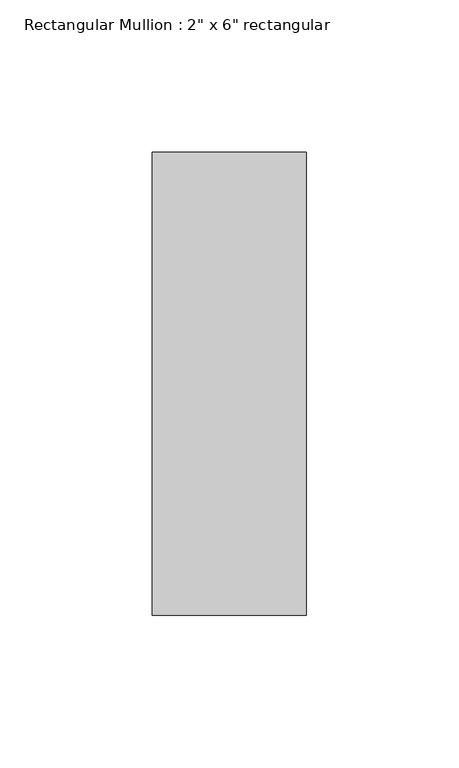
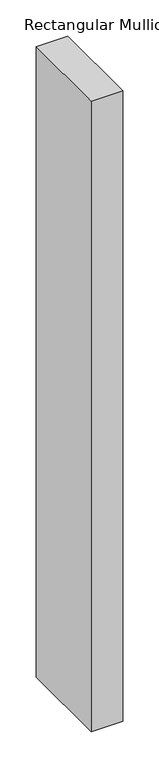
"""IFC4 building model written with IfcOpenShell, lengths in millimetres: member geometry."""

from ifc_helpers import new_model, si_unit, frame, origin, place, context, project, spatial, polyline, outline, extrude, source, transform, mapped, element, save


def member_02cd2aa0(model_context):
    return source(origin(), model_context, "Body", "SweptSolid", [
        extrude(outline(polyline([(0.0, 76.2), (0.0, -76.2), (-50.8, -76.2), (-50.8, 76.2), (0.0, 76.2)])), frame((0.0, 0.0, -1066.8), z_axis=(0.0, 0.0, 1.0), x_axis=(1.0, 0.0, 0.0)), (0.0, 0.0, 1.0), 1066.8),
    ])


if __name__ == "__main__":
    model = new_model("IFC4")
    model_context = context("Model", 3, world=origin())
    ifc_project = project(units=[si_unit("LENGTHUNIT", "METRE", prefix="MILLI")], contexts=[model_context])
    site = spatial("IfcSite", under=ifc_project)
    building = spatial("IfcBuilding", under=site)
    placement = place(None, origin())
    member_shape = member_02cd2aa0(model_context)
    element("IfcMember", 1, ObjectType="Rectangular Mullion : 2\" x 6\" rectangular", at=placement, inside=building, context=model_context, shape_type="MappedRepresentation", body=[
        mapped(member_shape, transform((0.0, 0.0, 0.0), x_axis=(1.0, 0.0, 0.0), y_axis=(0.0, 1.0, 0.0), z_axis=(0.0, 0.0, 1.0))),
    ])
    save(model, "model.ifc")
